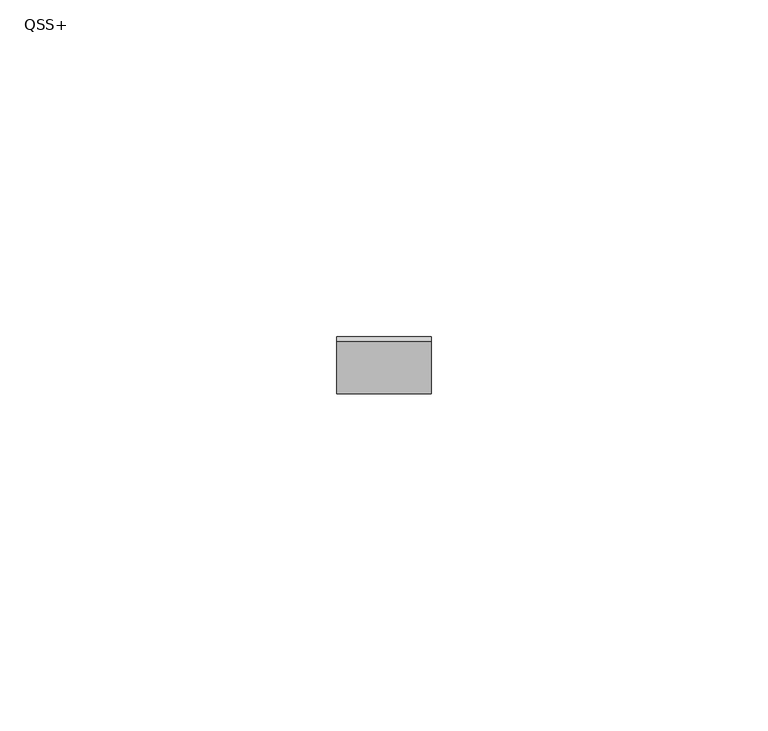
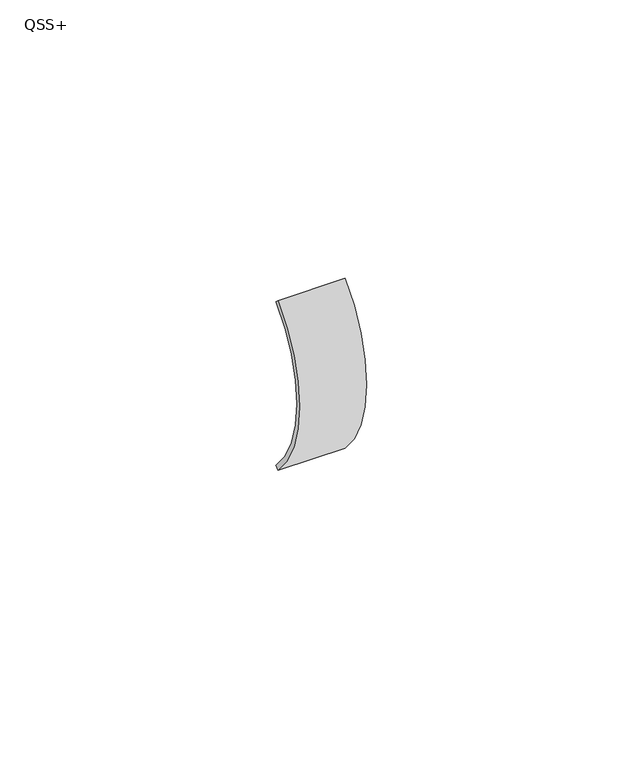
"""IFC4 building model written with IfcOpenShell, lengths in millimetres: proxy geometry, QSS+."""

import ifcopenshell
import ifcopenshell.guid

model = None  # the IFC model being written
_history = None  # IfcOwnerHistory: only IFC2X3 demands one
_inside = {}  # id of a spatial element -> (the spatial element, [elements in it])
_under = {}  # id of a project, library or spatial element -> (it, [spatial elements below it])
_declared = {}  # id of a project -> (the project, [libraries it declares])
_typed = {}  # id of a type object -> (the type object, [elements of that type])
_made_of = {}  # id of a material, layer set ... -> (it, [elements and type objects made of it])


def new_model(schema):
    """Start an empty IFC model of exactly this schema.

    Asked for "IFC4X3", IfcOpenShell would pick the latest addendum, in which some entities
    have other attributes; the version numbers below select the first issue.
    IFC2X3 requires an IfcOwnerHistory on every rooted entity: one is made here for all.
    """
    global model, _history
    if schema == "IFC4X3":
        model = ifcopenshell.file(schema_version=(4, 3, 0, 0))
    else:
        model = ifcopenshell.file(schema=schema)
    _inside.clear()
    _under.clear()
    _declared.clear()
    _typed.clear()
    _made_of.clear()
    _history = None
    if model.schema == "IFC2X3":
        org = make("IfcOrganization", Name="unknown")
        user = make(
            "IfcPersonAndOrganization",
            ThePerson=make("IfcPerson", FamilyName="unknown"),
            TheOrganization=org,
        )
        app = make(
            "IfcApplication",
            ApplicationDeveloper=org,
            Version="unknown",
            ApplicationFullName="unknown",
            ApplicationIdentifier="unknown",
        )
        _history = make(
            "IfcOwnerHistory",
            OwningUser=user,
            OwningApplication=app,
            ChangeAction="ADDED",
            CreationDate=0,
        )
    return model


def make(cls, **values):
    """One entity of the class cls with the attributes given. An attribute that is None is left unset."""
    return model.create_entity(
        cls, **{name: value for name, value in values.items() if value is not None}
    )


def rooted(cls, **values):
    """An entity with a GlobalId (a new one), such as an element, a storey or a relation."""
    return make(cls, GlobalId=ifcopenshell.guid.new(), OwnerHistory=_history, **values)


def si_unit(unit_type, name, prefix=None):
    """IfcSIUnit, for example si_unit("LENGTHUNIT", "METRE", prefix="MILLI")."""
    return make("IfcSIUnit", UnitType=unit_type, Prefix=prefix, Name=name)


def assignment(units):
    """IfcUnitAssignment: the units of a project."""
    return None if units is None else make("IfcUnitAssignment", Units=units)


def point(xyz):
    """IfcCartesianPoint."""
    return None if xyz is None else make("IfcCartesianPoint", Coordinates=xyz)


def direction(xyz):
    """IfcDirection."""
    return None if xyz is None else make("IfcDirection", DirectionRatios=xyz)


def frame(location, z_axis=None, x_axis=None):
    """IfcAxis2Placement3D, a coordinate frame: its origin and axes. An axis left out is left unset."""
    return make(
        "IfcAxis2Placement3D",
        Location=point(location),
        Axis=direction(z_axis),
        RefDirection=direction(x_axis),
    )


def frame_2d(location, x_axis=None):
    """IfcAxis2Placement2D, a coordinate frame in the plane: its origin and x axis."""
    return make(
        "IfcAxis2Placement2D", Location=point(location), RefDirection=direction(x_axis)
    )


def origin():
    """The frame at (0, 0, 0) with its axes left unset."""
    return frame((0.0, 0.0, 0.0))


def origin_2d():
    """The frame at (0, 0) in the plane with its x axis left unset."""
    return frame_2d((0.0, 0.0))


def place(relative_to, where):
    """IfcLocalPlacement: puts the frame where relative to a parent placement (None: the world)."""
    return make(
        "IfcLocalPlacement", PlacementRelTo=relative_to, RelativePlacement=where
    )


def context(
    kind, dimensions, precision=None, world=None, true_north=None, identifier=None
):
    """IfcGeometricRepresentationContext, for example the 3D "Model" context."""
    return make(
        "IfcGeometricRepresentationContext",
        ContextIdentifier=identifier,
        ContextType=kind,
        CoordinateSpaceDimension=dimensions,
        Precision=precision,
        WorldCoordinateSystem=world,
        TrueNorth=true_north,
    )


def project(units=None, contexts=None):
    """IfcProject with its units and contexts."""
    return rooted(
        "IfcProject",
        Name="project",
        RepresentationContexts=contexts,
        UnitsInContext=assignment(units),
    )


def spatial(cls, under=None, at=None, **own):
    """A site, building, storey or space (cls), placed at a placement, below another one or the project."""
    s = rooted(cls, ObjectPlacement=at, **own)
    if under is not None:
        _under.setdefault(under.id(), (under, []))[1].append(s)
    return s


def polyline(points):
    """IfcPolyline through the points."""
    return make("IfcPolyline", Points=[point(p) for p in points])


def circle_curve(where, radius):
    """IfcCircle in the frame where."""
    return make("IfcCircle", Position=where, Radius=radius)


def trimmed(basis, trim1, trim2, sense, master):
    """IfcTrimmedCurve: the piece of a basis curve between two trims."""
    return make(
        "IfcTrimmedCurve",
        BasisCurve=basis,
        Trim1=trim1,
        Trim2=trim2,
        SenseAgreement=sense,
        MasterRepresentation=master,
    )


def segment(curve, same_sense, transition):
    """IfcCompositeCurveSegment."""
    return make(
        "IfcCompositeCurveSegment",
        Transition=transition,
        SameSense=same_sense,
        ParentCurve=curve,
    )


def composite_curve(segments, self_intersect=None):
    """IfcCompositeCurve: segments joined end to end."""
    return make("IfcCompositeCurve", Segments=segments, SelfIntersect=self_intersect)


def outline(outer, holes=None, kind="AREA"):
    """IfcArbitraryClosedProfileDef: a profile drawn as a closed curve; with holes, ...WithVoids."""
    if holes is None:
        return make("IfcArbitraryClosedProfileDef", ProfileType=kind, OuterCurve=outer)
    return make(
        "IfcArbitraryProfileDefWithVoids",
        ProfileType=kind,
        OuterCurve=outer,
        InnerCurves=holes,
    )


def extrude(swept, where, along, depth):
    """IfcExtrudedAreaSolid: the profile swept, set in the frame where, extruded along a direction by depth."""
    return make(
        "IfcExtrudedAreaSolid",
        SweptArea=swept,
        Position=where,
        ExtrudedDirection=direction(along),
        Depth=depth,
    )


def shape(context_of_items, identifier, shape_type, items):
    """IfcShapeRepresentation: the items that make up one representation, for example the "Body"."""
    return make(
        "IfcShapeRepresentation",
        ContextOfItems=context_of_items,
        RepresentationIdentifier=identifier,
        RepresentationType=shape_type,
        Items=items,
    )


def source(mapping_origin, context_of_items, identifier, shape_type, items):
    """IfcRepresentationMap: a shape defined once, which mapped items show again and again."""
    return make(
        "IfcRepresentationMap",
        MappingOrigin=mapping_origin,
        MappedRepresentation=shape(context_of_items, identifier, shape_type, items),
    )


def transform(
    local_origin,
    x_axis=None,
    y_axis=None,
    z_axis=None,
    scale=None,
    scale2=None,
    scale3=None,
    uniform=True,
):
    """IfcCartesianTransformationOperator3D, or its non-uniform kind. x_axis, y_axis, z_axis: its Axis1, 2, 3."""
    if uniform:
        return make(
            "IfcCartesianTransformationOperator3D",
            Axis1=direction(x_axis),
            Axis2=direction(y_axis),
            LocalOrigin=point(local_origin),
            Scale=scale,
            Axis3=direction(z_axis),
        )
    return make(
        "IfcCartesianTransformationOperator3DnonUniform",
        Axis1=direction(x_axis),
        Axis2=direction(y_axis),
        LocalOrigin=point(local_origin),
        Scale=scale,
        Axis3=direction(z_axis),
        Scale2=scale2,
        Scale3=scale3,
    )


def mapped(mapping_source, mapping_target):
    """IfcMappedItem: shows the shape of a source again, moved by a transform."""
    return make(
        "IfcMappedItem", MappingSource=mapping_source, MappingTarget=mapping_target
    )


def made_of(thing, what):
    """Note that an element or type object is made of a material, layer set ...; save() writes the relation."""
    if what is not None:
        _made_of.setdefault(what.id(), (what, []))[1].append(thing)
    return thing


def element(
    cls,
    number,
    at=None,
    inside=None,
    cuts=None,
    type_object=None,
    material=None,
    context=None,
    identifier="Body",
    shape_type=None,
    held_by="IfcProductDefinitionShape",
    body=None,
    shapes=None,
    **own,
):
    """One element of the class cls, such as IfcWall. Its Tag is "e" and its number.

    at: its placement. inside: the storey or other place that contains it. cuts: it is an
    opening in that element (IfcRelVoidsElement). A single representation is given by context,
    identifier, shape_type and body (its items); several are given by shapes. held_by: the class
    of the entity that holds the representations. save() writes the other relations.
    """
    e = rooted(cls, Tag="e%d" % number, ObjectPlacement=at, **own)
    if body is not None:
        shapes = [shape(context, identifier, shape_type, body)]
    if shapes is not None:
        e.Representation = make(held_by, Representations=shapes)
    if inside is not None:
        _inside.setdefault(inside.id(), (inside, []))[1].append(e)
    if cuts is not None:
        rooted(
            "IfcRelVoidsElement", RelatingBuildingElement=cuts, RelatedOpeningElement=e
        )
    if type_object is not None:
        _typed.setdefault(type_object.id(), (type_object, []))[1].append(e)
    return made_of(e, material)


def aggregate(whole, parts):
    """IfcRelAggregates: a whole, such as a stair, and the parts it consists of."""
    return rooted("IfcRelAggregates", RelatingObject=whole, RelatedObjects=parts)


def save(model, path):
    """Write the relations noted so far, then the file.

    IfcRelAggregates (storeys below a building ...), IfcRelContainedInSpatialStructure (elements
    in a storey), IfcRelDefinesByType, IfcRelAssociatesMaterial and IfcRelDeclares: one each for
    every whole, place, type object, material and project.
    """
    for whole, parts in _under.values():
        aggregate(whole, parts)
    for where, things in _inside.values():
        rooted(
            "IfcRelContainedInSpatialStructure",
            RelatedElements=things,
            RelatingStructure=where,
        )
    for kind, things in _typed.values():
        rooted("IfcRelDefinesByType", RelatedObjects=things, RelatingType=kind)
    for what, things in _made_of.values():
        rooted("IfcRelAssociatesMaterial", RelatedObjects=things, RelatingMaterial=what)
    for by, libraries in _declared.values():
        rooted("IfcRelDeclares", RelatingContext=by, RelatedDefinitions=libraries)
    model.write(path)


def qss_74a3e7c8(model_context):
    return source(origin(), model_context, "Body", "SweptSolid", [
        extrude(outline(composite_curve([segment(trimmed(circle_curve(origin_2d(), 26.5), [point((-18.7383297, -18.7383297))], [point((-18.7383297, 18.7383297))], False, "CARTESIAN"), True, "CONTINUOUS"), segment(polyline([(-18.7383297, 18.7383297), (-18.0312229, 18.0312229)]), True, "CONTINUOUS"), segment(trimmed(circle_curve(origin_2d(), 25.5), [point((-18.0312229, 18.0312229))], [point((-18.0312229, -18.0312229))], True, "CARTESIAN"), True, "CONTINUOUS"), segment(polyline([(-18.0312229, -18.0312229), (-18.7383297, -18.7383297)]), True, "CONTINUOUS")], self_intersect=False)), frame((-7.0, 0.0, 0.0), z_axis=(1.0, 0.0, 0.0), x_axis=(0.0, 1.0, 0.0)), (0.0, 0.0, 1.0), 14.0),
    ])


if __name__ == "__main__":
    model = new_model("IFC4")
    model_context = context("Model", 3, world=origin())
    ifc_project = project(units=[si_unit("LENGTHUNIT", "METRE", prefix="MILLI")], contexts=[model_context])
    site = spatial("IfcSite", under=ifc_project)
    building = spatial("IfcBuilding", under=site)
    placement = place(None, origin())
    qss_shape = qss_74a3e7c8(model_context)
    element("IfcBuildingElementProxy", 1, Name="QSS+", ObjectType="QSS+", at=placement, inside=building, context=model_context, shape_type="MappedRepresentation", body=[
        mapped(qss_shape, transform((0.0, 0.0, 0.0), x_axis=(1.0, 0.0, 0.0), y_axis=(0.0, 1.0, 0.0), z_axis=(0.0, 0.0, 1.0))),
    ])
    save(model, "model.ifc")
